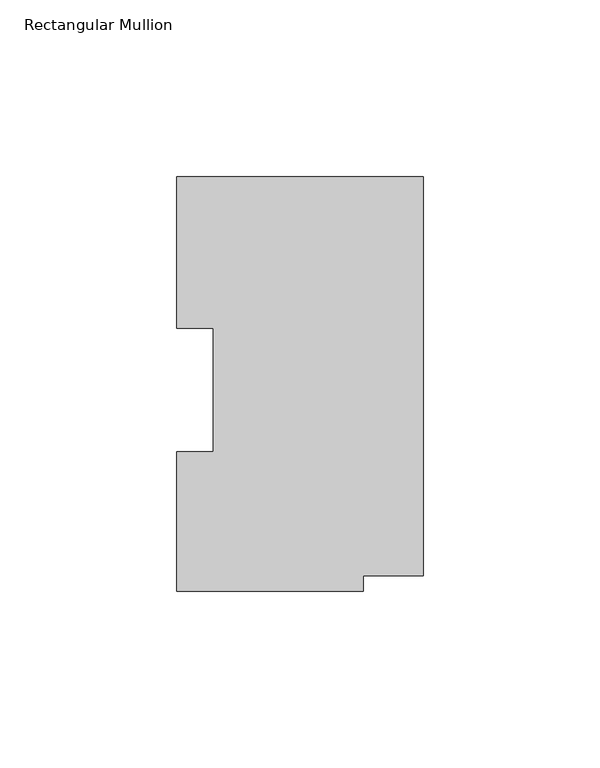
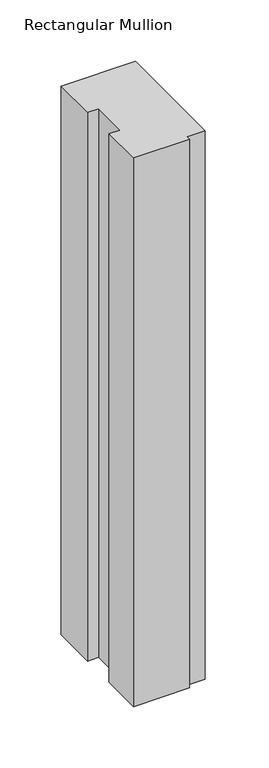
"""IFC4 building model written with IfcOpenShell, lengths in millimetres: member geometry, Rectangular Mullion."""

from ifc_helpers import new_model, si_unit, frame, origin, place, context, project, spatial, polyline, outline, extrude, source, transform, mapped, element, save


def rectangular_mullion_0c09e8d8(model_context):
    return source(origin(), model_context, "Body", "SweptSolid", [
        extrude(outline(polyline([(0.0, 117.3749875), (0.0, 4.2941875), (-17.0688, 4.2941875), (-17.0688, 0.0269875), (-69.85, 0.0269875), (-69.85, 39.4477875), (-59.5376, 39.4477875), (-59.5376, 74.3981875), (-69.85, 74.3981875), (-69.85, 117.3749875), (0.0, 117.3749875)])), frame((0.0, 0.0, -545.0416667), z_axis=(0.0, 0.0, 1.0), x_axis=(1.0, 0.0, 0.0)), (0.0, 0.0, 1.0), 545.0416667),
    ])


if __name__ == "__main__":
    model = new_model("IFC4")
    model_context = context("Model", 3, world=origin())
    ifc_project = project(units=[si_unit("LENGTHUNIT", "METRE", prefix="MILLI")], contexts=[model_context])
    site = spatial("IfcSite", under=ifc_project)
    building = spatial("IfcBuilding", under=site)
    placement = place(None, origin())
    rectangular_mullion_shape = rectangular_mullion_0c09e8d8(model_context)
    element("IfcMember", 1, ObjectType="Rectangular Mullion", at=placement, inside=building, context=model_context, shape_type="MappedRepresentation", body=[
        mapped(rectangular_mullion_shape, transform((0.0, 0.0, 0.0), x_axis=(1.0, 0.0, 0.0), y_axis=(0.0, 1.0, 0.0), z_axis=(0.0, 0.0, 1.0))),
    ])
    save(model, "model.ifc")
